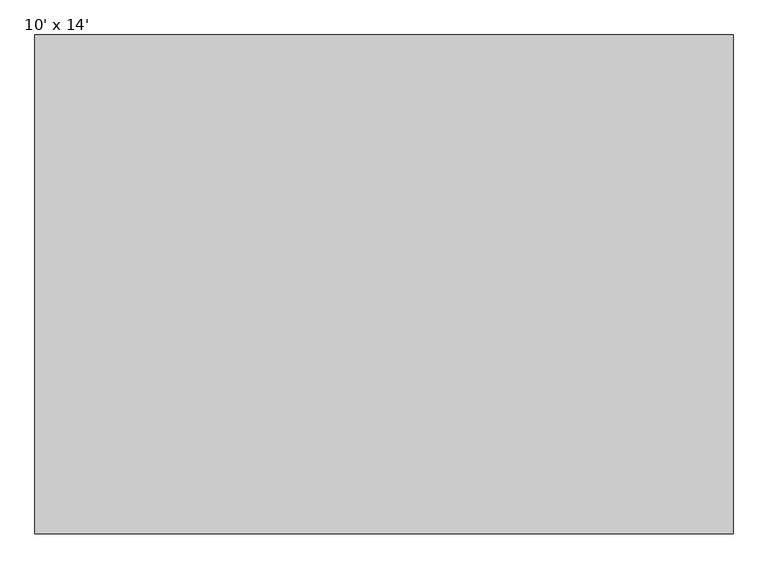
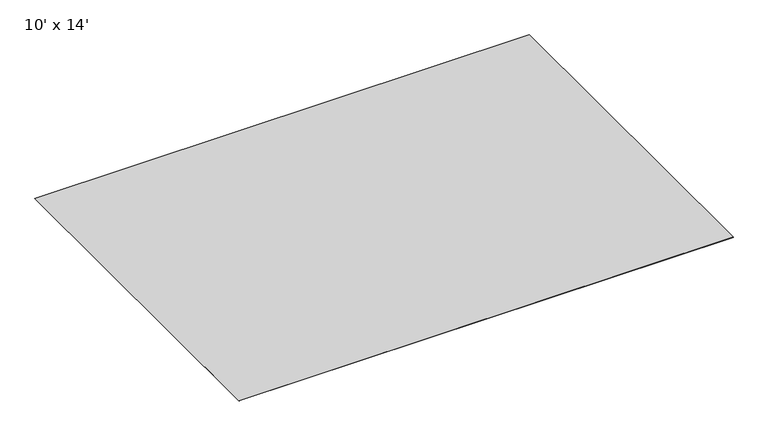
"""IFC4 building model written with IfcOpenShell, lengths in millimetres: furniture geometry, 10' x 14'."""

from ifc_helpers import new_model, si_unit, origin, origin_with_axes, place, context, project, spatial, polyline, outline, extrude, source, transform, mapped, element, save


def furniture_10_x_14_f240d386(model_context):
    return source(origin(), model_context, "Body", "SweptSolid", [
        extrude(outline(polyline([(1772.4660917, 1869.7919098), (1772.4660917, -1178.2080902), (-2494.7339083, -1178.2080902), (-2494.7339083, 1869.7919098), (1772.4660917, 1869.7919098)])), origin_with_axes(), (0.0, 0.0, 1.0), 0.8128),
    ])


if __name__ == "__main__":
    model = new_model("IFC4")
    model_context = context("Model", 3, world=origin())
    ifc_project = project(units=[si_unit("LENGTHUNIT", "METRE", prefix="MILLI")], contexts=[model_context])
    site = spatial("IfcSite", under=ifc_project)
    building = spatial("IfcBuilding", under=site)
    placement = place(None, origin())
    furniture_10_x_14_shape = furniture_10_x_14_f240d386(model_context)
    element("IfcFurniture", 1, ObjectType="10' x 14'", at=placement, inside=building, context=model_context, shape_type="MappedRepresentation", body=[
        mapped(furniture_10_x_14_shape, transform((0.0, 0.0, 0.0), x_axis=(1.0, 0.0, 0.0), y_axis=(0.0, 1.0, 0.0), z_axis=(0.0, 0.0, 1.0))),
    ])
    save(model, "model.ifc")
